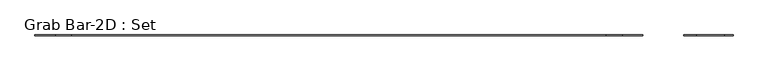
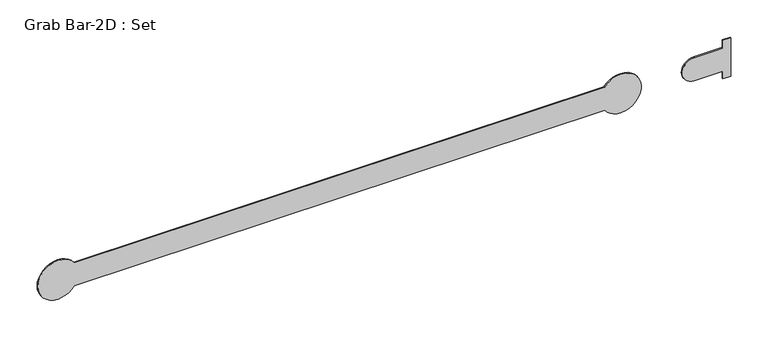
"""IFC4 building model written with IfcOpenShell, lengths in millimetres: proxy geometry, Grab Bar-2D : Set."""

from ifc_helpers import new_model, si_unit, point, frame, frame_2d, origin, place, context, project, spatial, polyline, circle_curve, trimmed, segment, composite_curve, outline, extrude, source, transform, mapped, element, save


def grab_bar_2d_set_412d4c80(model_context):
    return source(origin(), model_context, "Body", "SweptSolid", [
        extrude(outline(composite_curve([segment(trimmed(circle_curve(frame_2d((914.4, -185.6468462)), 31.75), [point((933.45, -160.2468462))], [point((946.15, -185.6468462))], False, "CARTESIAN"), True, "CONTINUOUS"), segment(trimmed(circle_curve(frame_2d((914.4, -185.6468462)), 31.75), [point((946.15, -185.6468462))], [point((882.65, -185.6468462))], False, "CARTESIAN"), True, "CONTINUOUS"), segment(trimmed(circle_curve(frame_2d((914.4, -185.6468462)), 31.75), [point((882.65, -185.6468462))], [point((895.35, -160.2468462))], False, "CARTESIAN"), True, "CONTINUOUS"), segment(polyline([(895.35, -160.2468462), (895.35, 665.2531538)]), True, "CONTINUOUS"), segment(trimmed(circle_curve(frame_2d((914.4, 690.6531538)), 31.75), [point((895.35, 665.2531538))], [point((882.65, 690.6531538))], False, "CARTESIAN"), True, "CONTINUOUS"), segment(trimmed(circle_curve(frame_2d((914.4, 690.6531538)), 31.75), [point((882.65, 690.6531538))], [point((946.15, 690.6531538))], False, "CARTESIAN"), True, "CONTINUOUS"), segment(trimmed(circle_curve(frame_2d((914.4, 690.6531538)), 31.75), [point((946.15, 690.6531538))], [point((933.45, 665.2531538))], False, "CARTESIAN"), True, "CONTINUOUS"), segment(polyline([(933.45, 665.2531538), (933.45, -160.2468462)]), True, "CONTINUOUS")], self_intersect=False)), frame((0.0, 176.2125, 0.0), z_axis=(0.0, 1.0, 0.0), x_axis=(0.0, 0.0, 1.0)), (0.0, 0.0, 1.0), 1.5875),
        extrude(outline(composite_curve([segment(polyline([(946.15, 862.1031538), (946.15, 849.4031538), (933.45, 849.4031538), (933.45, 804.9531538)]), True, "CONTINUOUS"), segment(trimmed(circle_curve(frame_2d((914.4, 804.9531538)), 19.05), [point((933.45, 804.9531538))], [point((895.35, 804.9531538))], False, "CARTESIAN"), True, "CONTINUOUS"), segment(polyline([(895.35, 804.9531538), (895.35, 849.4031538), (882.65, 849.4031538), (882.65, 862.1031538), (946.15, 862.1031538)]), True, "CONTINUOUS")], self_intersect=False)), frame((0.0, 176.2125, 0.0), z_axis=(0.0, 1.0, 0.0), x_axis=(0.0, 0.0, 1.0)), (0.0, 0.0, 1.0), 1.5875),
    ])


if __name__ == "__main__":
    model = new_model("IFC4")
    model_context = context("Model", 3, world=origin())
    ifc_project = project(units=[si_unit("LENGTHUNIT", "METRE", prefix="MILLI")], contexts=[model_context])
    site = spatial("IfcSite", under=ifc_project)
    building = spatial("IfcBuilding", under=site)
    placement = place(None, origin())
    grab_bar_2d_set_shape = grab_bar_2d_set_412d4c80(model_context)
    element("IfcBuildingElementProxy", 1, Name="Grab Bar-2D : Set", ObjectType="Grab Bar-2D : Set", at=placement, inside=building, context=model_context, shape_type="MappedRepresentation", body=[
        mapped(grab_bar_2d_set_shape, transform((0.0, 0.0, 0.0), x_axis=(1.0, 0.0, 0.0), y_axis=(0.0, 1.0, 0.0), z_axis=(0.0, 0.0, 1.0))),
    ])
    save(model, "model.ifc")
